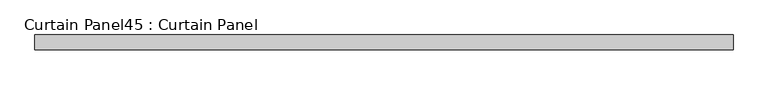
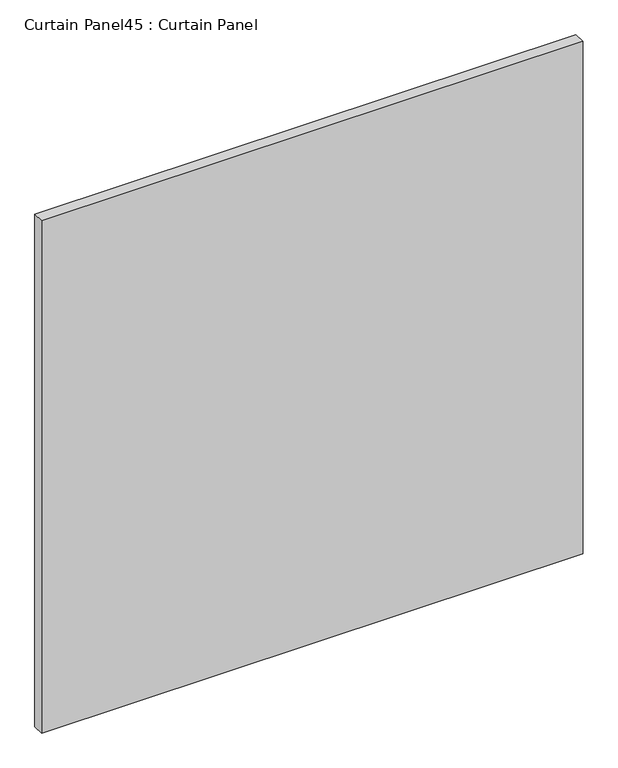
"""IFC4 building model written with IfcOpenShell, lengths in millimetres: plate geometry, Curtain Panel45 : Curtain Panel."""

from ifc_helpers import new_model, si_unit, frame, origin, place, context, project, spatial, polyline, outline, extrude, source, transform, mapped, element, save


def curtain_panel45_curtain_panel_a97bd10c(model_context):
    return source(origin(), model_context, "Body", "SweptSolid", [
        extrude(outline(polyline([(-408966.7652248, 7226.1665558), (-410166.9149983, 7226.1665558), (-410166.9149983, 7251.5665558), (-408966.7652248, 7251.5665558), (-408966.7652248, 7226.1665558)])), frame((0.0, 0.0, 1228.7251132), z_axis=(0.0, 0.0, 1.0), x_axis=(1.0, 0.0, 0.0)), (0.0, 0.0, 1.0), 1200.1497736),
    ])


if __name__ == "__main__":
    model = new_model("IFC4")
    model_context = context("Model", 3, world=origin())
    ifc_project = project(units=[si_unit("LENGTHUNIT", "METRE", prefix="MILLI")], contexts=[model_context])
    site = spatial("IfcSite", under=ifc_project)
    building = spatial("IfcBuilding", under=site)
    placement = place(None, origin())
    curtain_panel45_curtain_panel_shape = curtain_panel45_curtain_panel_a97bd10c(model_context)
    element("IfcPlate", 1, ObjectType="Curtain Panel45 : Curtain Panel", at=placement, inside=building, context=model_context, shape_type="MappedRepresentation", body=[
        mapped(curtain_panel45_curtain_panel_shape, transform((0.0, 0.0, 0.0), x_axis=(1.0, 0.0, 0.0), y_axis=(0.0, 1.0, 0.0), z_axis=(0.0, 0.0, 1.0))),
    ])
    save(model, "model.ifc")
